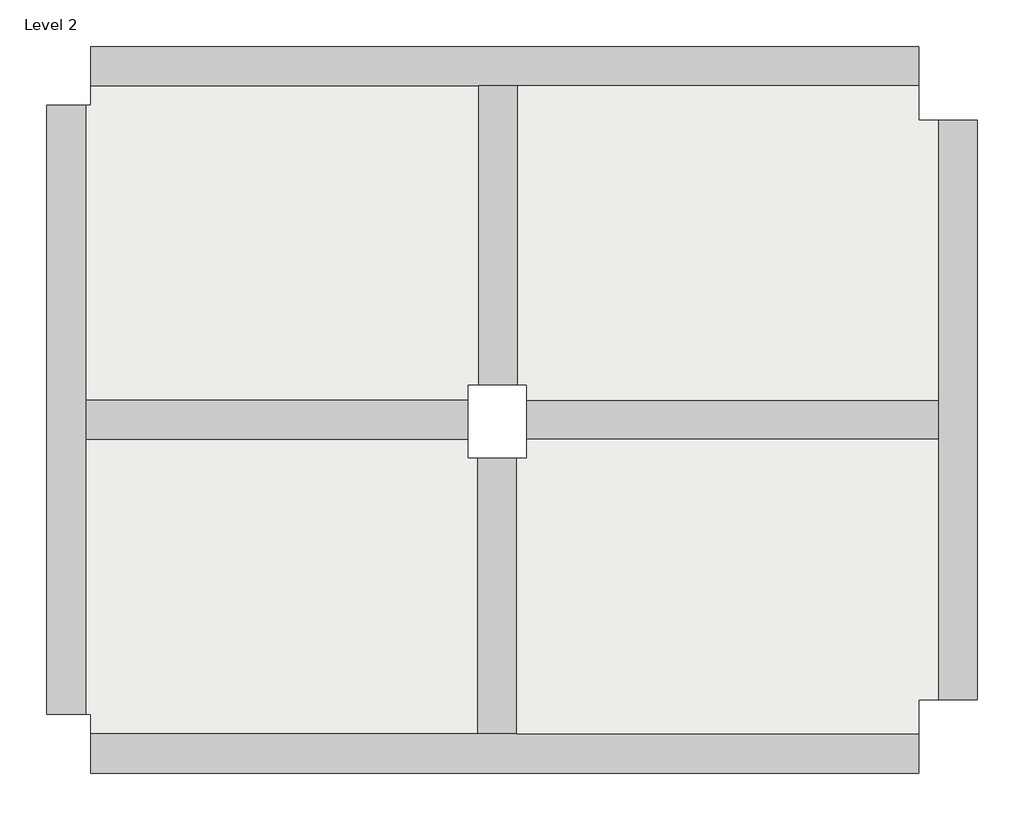
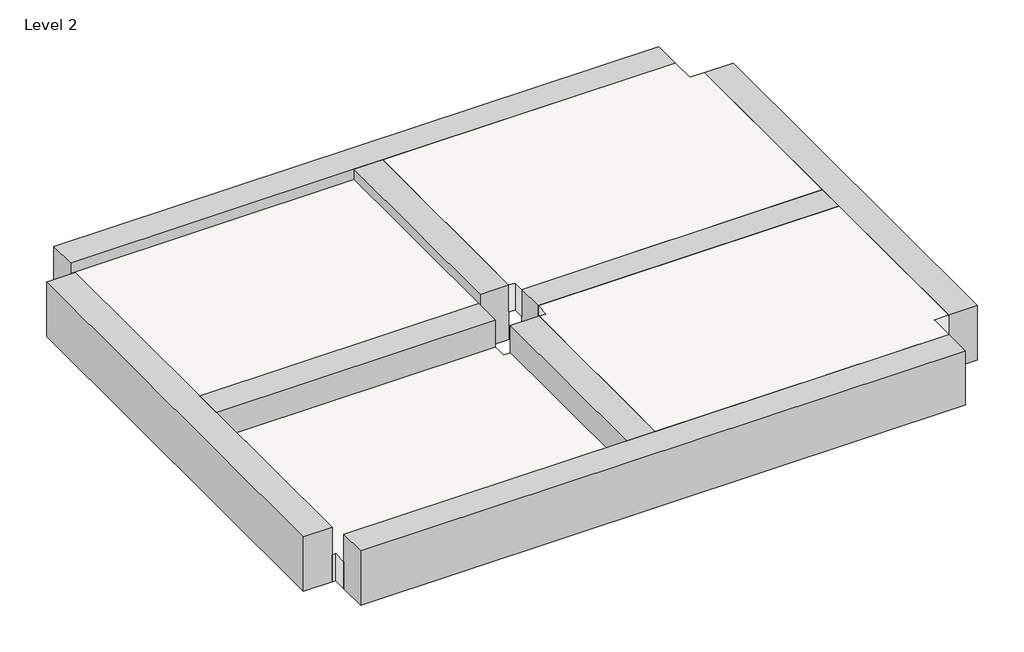
# One storey: 8 beams, 3 slabs.
"""IFC4 building model written with IfcOpenShell, lengths in millimetres."""

from ifc_helpers import new_model, si_unit, frame, origin, place, context, project, spatial, polyline, outline, extrude, faceted_brep, element, save

model = new_model("IFC4")

# Units and contexts
model_context = context("Model", 3, world=origin())
ifc_project = project(units=[si_unit("LENGTHUNIT", "METRE", prefix="MILLI")], contexts=[model_context])

# Site, building, storey
site = spatial("IfcSite", under=ifc_project)
building = spatial("IfcBuilding", under=site)
storey = spatial("IfcBuildingStorey", under=building, Name="Level 2", Elevation=4000.0)

# Beams
placement = place(None, origin())
element("IfcBeam", 1, ObjectType="Concrete - Rectangular Beam : 400 x 800mm", at=placement, inside=storey, context=model_context, shape_type="Brep", body=[
    faceted_brep([(3132.2509968, 6603.1162927, 4000.0), (3132.2509968, 7003.1162927, 4000.0), (-1057.7490032, 7003.1162927, 4000.0), (-1057.7490032, 6603.1162927, 4000.0), (3132.2509968, 7003.1162927, 3600.0), (3132.2509968, 7003.1162927, 3200.0), (-1057.7490032, 7003.1162927, 3200.0), (-1057.7490032, 7003.1162927, 3600.0), (3132.2509968, 6603.1162927, 3200.0), (-1057.7490032, 6603.1162927, 3200.0), (-1057.7490032, 6603.1162927, 3600.0), (3132.2509968, 6603.1162927, 3600.0)], [[[0, 1, 2, 3]], [[2, 1, 4, 5, 6, 7]], [[5, 8, 9, 6]], [[0, 3, 10, 9, 8, 11]], [[1, 0, 11, 8, 5, 4]], [[3, 2, 7, 6, 9, 10]]]),
])
element("IfcBeam", 2, ObjectType="Concrete - Rectangular Beam : 400 x 800mm", at=placement, inside=storey, context=model_context, shape_type="Brep", body=[
    faceted_brep([(-1147.7490032, 10203.1162927, 4000.0), (-1547.7490032, 10203.1162927, 4000.0), (-1547.7490032, 7158.1162927, 4000.0), (-1147.7490032, 7158.1162927, 4000.0), (-1547.7490032, 10203.1162927, 3200.0), (-1547.7490032, 7158.1162927, 3200.0), (-1147.7490032, 10203.1162927, 3200.0), (-1147.7490032, 7158.1162927, 3200.0), (-1147.7490032, 7158.1162927, 3600.0), (-1147.7490032, 10203.1162927, 3600.0)], [[[0, 1, 2, 3]], [[1, 4, 5, 2]], [[4, 6, 7, 5]], [[0, 3, 8, 7, 6, 9]], [[1, 0, 9, 6, 4]], [[3, 2, 5, 7, 8]]]),
])
element("IfcBeam", 3, ObjectType="Concrete - Rectangular Beam : 400 x 800mm", at=placement, inside=storey, context=model_context, shape_type="Brep", body=[
    faceted_brep([(-5497.7490032, 3603.1162927, 4000.0), (-5497.7490032, 3203.1162927, 4000.0), (2932.2509968, 3203.1162927, 4000.0), (2932.2509968, 3603.1162927, 4000.0), (-1157.7490032, 3603.1162927, 4000.0), (-1557.7490032, 3603.1162927, 4000.0), (-5497.7490032, 3203.1162927, 3200.0), (2932.2509968, 3203.1162927, 3200.0), (-5497.7490032, 3603.1162927, 3200.0), (-1557.7490032, 3603.1162927, 3200.0), (-1157.7490032, 3603.1162927, 3200.0), (2932.2509968, 3603.1162927, 3200.0), (2932.2509968, 3603.1162927, 3600.0)], [[[0, 1, 2, 3, 4, 5]], [[1, 6, 7, 2]], [[6, 8, 9, 10, 11, 7]], [[8, 0, 5, 4, 3, 12, 11, 10, 9]], [[1, 0, 8, 6]], [[3, 2, 7, 11, 12]]]),
])
element("IfcBeam", 4, ObjectType="Concrete - Rectangular Beam : 400 x 800mm", at=placement, inside=storey, context=model_context, shape_type="Brep", body=[
    faceted_brep([(3532.2509968, 9853.1162927, 4000.0), (3132.2509968, 9853.1162927, 4000.0), (3132.2509968, 7003.1162927, 4000.0), (3132.2509968, 6603.1162927, 4000.0), (3132.2509968, 3953.1162927, 4000.0), (3532.2509968, 3953.1162927, 4000.0), (3532.2509968, 9853.1162927, 3200.0), (3532.2509968, 3953.1162927, 3200.0), (3132.2509968, 9853.1162927, 3200.0), (3132.2509968, 3953.1162927, 3200.0), (3132.2509968, 6603.1162927, 3200.0), (3132.2509968, 7003.1162927, 3200.0), (3132.2509968, 9853.1162927, 3600.0), (3132.2509968, 3953.1162927, 3600.0)], [[[0, 1, 2, 3, 4, 5]], [[6, 0, 5, 7]], [[8, 6, 7, 9, 10, 11]], [[1, 12, 8, 11, 10, 9, 13, 4, 3, 2]], [[1, 0, 6, 8, 12]], [[5, 4, 13, 9, 7]]]),
])
element("IfcBeam", 5, ObjectType="Concrete - Rectangular Beam : 400 x 800mm", at=placement, inside=storey, context=model_context, shape_type="Brep", body=[
    faceted_brep([(-5497.7490032, 10603.1162927, 4000.0), (-5497.7490032, 10203.1162927, 4000.0), (-1547.7490032, 10203.1162927, 4000.0), (-1147.7490032, 10203.1162927, 4000.0), (2932.2509968, 10203.1162927, 4000.0), (2932.2509968, 10603.1162927, 4000.0), (-5497.7490032, 10603.1162927, 3200.0), (2932.2509968, 10603.1162927, 3200.0), (-5497.7490032, 10203.1162927, 3200.0), (2932.2509968, 10203.1162927, 3200.0), (-1147.7490032, 10203.1162927, 3200.0), (-1547.7490032, 10203.1162927, 3200.0), (2932.2509968, 10203.1162927, 3600.0)], [[[0, 1, 2, 3, 4, 5]], [[6, 0, 5, 7]], [[8, 6, 7, 9, 10, 11]], [[1, 8, 11, 10, 9, 12, 4, 3, 2]], [[1, 0, 6, 8]], [[5, 4, 12, 9, 7]]]),
])
element("IfcBeam", 6, ObjectType="Concrete - Rectangular Beam : 400 x 800mm", at=placement, inside=storey, context=model_context, shape_type="Brep", body=[
    faceted_brep([(-5947.7490032, 3803.1162927, 4000.0), (-5547.7490032, 3803.1162927, 4000.0), (-5547.7490032, 6603.1162927, 4000.0), (-5547.7490032, 7003.1162927, 4000.0), (-5547.7490032, 10003.1162927, 4000.0), (-5947.7490032, 10003.1162927, 4000.0), (-5947.7490032, 3803.1162927, 3200.0), (-5947.7490032, 10003.1162927, 3200.0), (-5547.7490032, 3803.1162927, 3200.0), (-5547.7490032, 10003.1162927, 3200.0), (-5547.7490032, 7003.1162927, 3200.0), (-5547.7490032, 6603.1162927, 3200.0)], [[[0, 1, 2, 3, 4, 5]], [[6, 0, 5, 7]], [[8, 6, 7, 9, 10, 11]], [[1, 8, 11, 10, 9, 4, 3, 2]], [[1, 0, 6, 8]], [[5, 4, 9, 7]]]),
])
element("IfcBeam", 7, ObjectType="Concrete - Rectangular Beam : 400 x 800mm", at=placement, inside=storey, context=model_context, shape_type="SweptSolid", body=[
    extrude(outline(polyline([(-5547.7490032, 6603.1162927), (-5547.7490032, 7003.1162927), (-1657.7490032, 7003.1162927), (-1657.7490032, 6603.1162927), (-5547.7490032, 6603.1162927)])), frame((0.0, 0.0, 3200.0), z_axis=(0.0, 0.0, 1.0), x_axis=(1.0, 0.0, 0.0)), (0.0, 0.0, 1.0), 800.0),
])
element("IfcBeam", 8, ObjectType="Concrete - Rectangular Beam : 400 x 800mm", at=placement, inside=storey, context=model_context, shape_type="Brep", body=[
    faceted_brep([(-1157.7490032, 6408.1162927, 4000.0), (-1557.7490032, 6408.1162927, 4000.0), (-1557.7490032, 3603.1162927, 4000.0), (-1157.7490032, 3603.1162927, 4000.0), (-1557.7490032, 6408.1162927, 3200.0), (-1557.7490032, 3603.1162927, 3200.0), (-1157.7490032, 6408.1162927, 3200.0), (-1157.7490032, 3603.1162927, 3200.0), (-1157.7490032, 6408.1162927, 3600.0), (-1157.7490032, 3603.1162927, 3600.0)], [[[0, 1, 2, 3]], [[1, 4, 5, 2]], [[4, 6, 7, 5]], [[6, 8, 0, 3, 9, 7]], [[1, 0, 8, 6, 4]], [[3, 2, 5, 7, 9]]]),
])

# Slabs
element("IfcSlab", 9, ObjectType="Generic Floor - 400mm", at=placement, inside=storey, context=model_context, shape_type="SweptSolid", body=[
    extrude(outline(polyline([(-1057.7490032, 6603.1162927), (3132.2509968, 6603.1162927), (3132.2509968, 3953.1162927), (2932.2509968, 3953.1162927), (2932.2509968, 3603.1162927), (-1157.7490032, 3603.1162927), (-1157.7490032, 6408.1162927), (-1057.7490032, 6408.1162927), (-1057.7490032, 6603.1162927)])), frame((0.0, 0.0, 3600.0), z_axis=(0.0, 0.0, 1.0), x_axis=(1.0, 0.0, 0.0)), (0.0, 0.0, 1.0), 400.0),
    extrude(outline(polyline([(-1057.7490032, 7003.1162927), (-1057.7490032, 7158.1162927), (-1147.7490032, 7158.1162927), (-1147.7490032, 10203.1162927), (2932.2509968, 10203.1162927), (2932.2509968, 9853.1162927), (3132.2509968, 9853.1162927), (3132.2509968, 7003.1162927), (-1057.7490032, 7003.1162927)])), frame((0.0, 0.0, 3600.0), z_axis=(0.0, 0.0, 1.0), x_axis=(1.0, 0.0, 0.0)), (0.0, 0.0, 1.0), 400.0),
])
element("IfcSlab", 10, ObjectType="Generic Floor - 400mm", at=placement, inside=storey, context=model_context, shape_type="SweptSolid", body=[
    extrude(outline(polyline([(-5497.7490032, 3603.1162927), (-5497.7490032, 3803.1162927), (-5547.7490032, 3803.1162927), (-5547.7490032, 6603.1162927), (-1657.7490032, 6603.1162927), (-1657.7490032, 6408.1162927), (-1557.7490032, 6408.1162927), (-1557.7490032, 3603.1162927), (-5497.7490032, 3603.1162927)])), frame((0.0, 0.0, 3200.0), z_axis=(0.0, 0.0, 1.0), x_axis=(1.0, 0.0, 0.0)), (0.0, 0.0, 1.0), 400.0),
])
element("IfcSlab", 11, ObjectType="Generic Floor - 400mm", at=placement, inside=storey, context=model_context, shape_type="SweptSolid", body=[
    extrude(outline(polyline([(-5547.7490032, 7003.1162927), (-5547.7490032, 10003.1162927), (-5497.7490032, 10003.1162927), (-5497.7490032, 10203.1162927), (-1547.7490032, 10203.1162927), (-1547.7490032, 7158.1162927), (-1657.7490032, 7158.1162927), (-1657.7490032, 7003.1162927), (-5547.7490032, 7003.1162927)])), frame((0.0, 0.0, 3450.0), z_axis=(0.0, 0.0, 1.0), x_axis=(1.0, 0.0, 0.0)), (0.0, 0.0, 1.0), 400.0),
])

save(model, "model.ifc")
